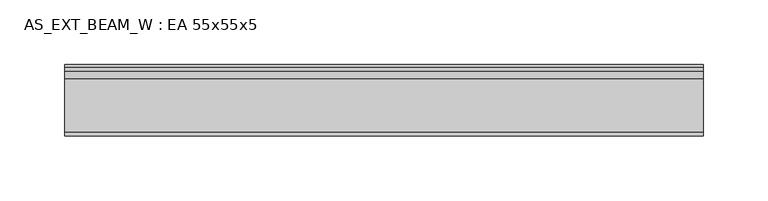
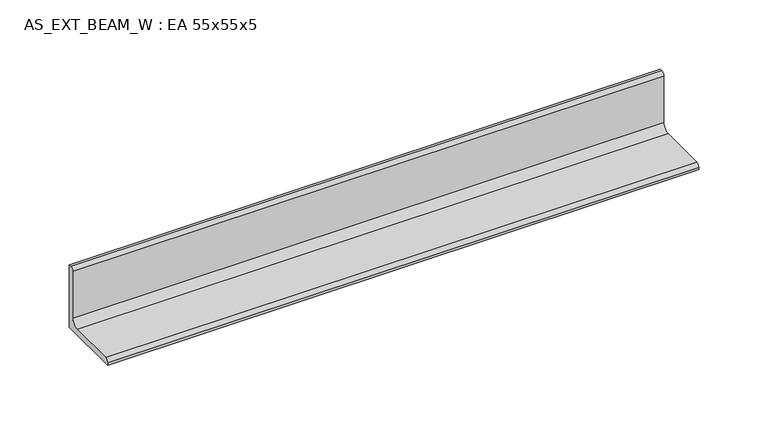
"""IFC4 building model written with IfcOpenShell, lengths in millimetres: beam geometry, AS_EXT_BEAM_W : EA 55x55x5."""

from ifc_helpers import new_model, si_unit, point, frame, frame_2d, origin, place, context, project, spatial, polyline, circle_curve, trimmed, segment, composite_curve, outline, extrude, source, transform, mapped, element, save


def as_ext_beam_w_ea_55x55x5_9cc7de1c(model_context):
    return source(origin(), model_context, "Body", "SweptSolid", [
        extrude(outline(composite_curve([segment(polyline([(15.2, -15.2), (-39.8, -15.2), (-39.8, -13.2)]), True, "CONTINUOUS"), segment(trimmed(circle_curve(frame_2d((-36.8, -13.2)), 3.0), [point((-39.8, -13.2))], [point((-36.8, -10.2))], False, "CARTESIAN"), True, "CONTINUOUS"), segment(polyline([(-36.8, -10.2), (4.2, -10.2)]), True, "CONTINUOUS"), segment(trimmed(circle_curve(frame_2d((4.2, -4.2)), 6.0), [point((4.2, -10.2))], [point((10.2, -4.2))], True, "CARTESIAN"), True, "CONTINUOUS"), segment(polyline([(10.2, -4.2), (10.2, 36.8)]), True, "CONTINUOUS"), segment(trimmed(circle_curve(frame_2d((13.2, 36.8)), 3.0), [point((10.2, 36.8))], [point((13.2, 39.8))], False, "CARTESIAN"), True, "CONTINUOUS"), segment(polyline([(13.2, 39.8), (15.2, 39.8), (15.2, -15.2)]), True, "CONTINUOUS")], self_intersect=False)), frame((-245.8, 0.0, 0.0), z_axis=(1.0, 0.0, 0.0), x_axis=(0.0, 1.0, 0.0)), (0.0, 0.0, 1.0), 491.6),
    ])


if __name__ == "__main__":
    model = new_model("IFC4")
    model_context = context("Model", 3, world=origin())
    ifc_project = project(units=[si_unit("LENGTHUNIT", "METRE", prefix="MILLI")], contexts=[model_context])
    site = spatial("IfcSite", under=ifc_project)
    building = spatial("IfcBuilding", under=site)
    placement = place(None, origin())
    as_ext_beam_w_ea_55x55x5_shape = as_ext_beam_w_ea_55x55x5_9cc7de1c(model_context)
    element("IfcBeam", 1, ObjectType="AS_EXT_BEAM_W : EA 55x55x5", at=placement, inside=building, context=model_context, shape_type="MappedRepresentation", body=[
        mapped(as_ext_beam_w_ea_55x55x5_shape, transform((0.0, 0.0, 0.0), x_axis=(1.0, 0.0, 0.0), y_axis=(0.0, 1.0, 0.0), z_axis=(0.0, 0.0, 1.0))),
    ])
    save(model, "model.ifc")
